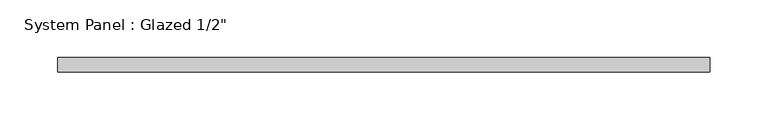
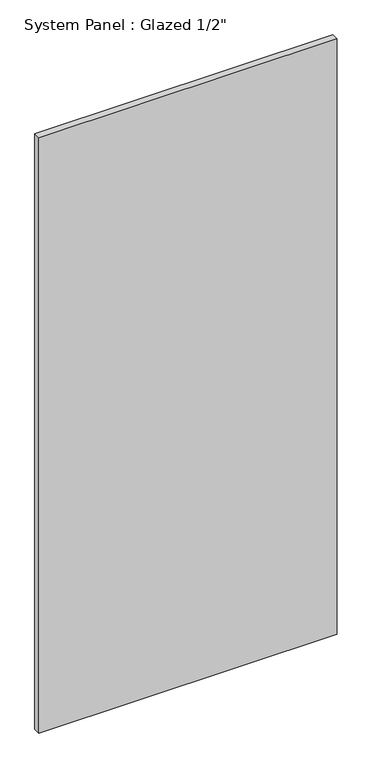
"""IFC4 building model written with IfcOpenShell, lengths in millimetres: plate geometry."""

from ifc_helpers import new_model, si_unit, origin, origin_with_axes, place, context, project, spatial, polyline, outline, extrude, source, transform, mapped, element, save


def plate_e19b3750(model_context):
    return source(origin(), model_context, "Body", "SweptSolid", [
        extrude(outline(polyline([(283.3254402, -6.35), (-283.3254402, -6.35), (-283.3254402, 6.35), (283.3254402, 6.35), (283.3254402, -6.35)])), origin_with_axes(), (0.0, 0.0, 1.0), 1195.797534),
    ])


if __name__ == "__main__":
    model = new_model("IFC4")
    model_context = context("Model", 3, world=origin())
    ifc_project = project(units=[si_unit("LENGTHUNIT", "METRE", prefix="MILLI")], contexts=[model_context])
    site = spatial("IfcSite", under=ifc_project)
    building = spatial("IfcBuilding", under=site)
    placement = place(None, origin())
    plate_shape = plate_e19b3750(model_context)
    element("IfcPlate", 1, ObjectType="System Panel : Glazed 1/2\"", at=placement, inside=building, context=model_context, shape_type="MappedRepresentation", body=[
        mapped(plate_shape, transform((0.0, 0.0, 0.0), x_axis=(1.0, 0.0, 0.0), y_axis=(0.0, 1.0, 0.0), z_axis=(0.0, 0.0, 1.0))),
    ])
    save(model, "model.ifc")
